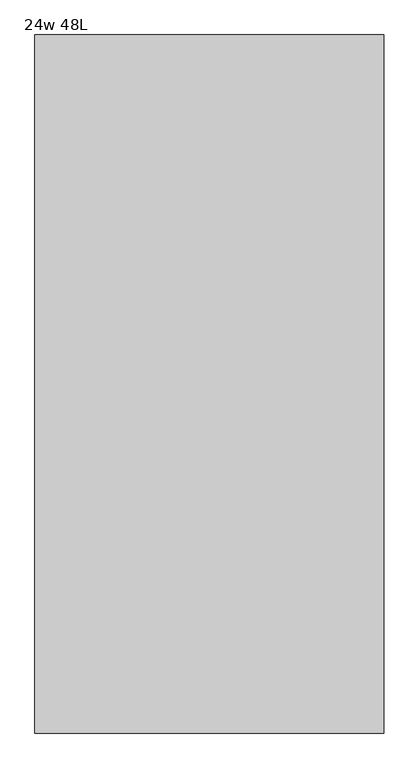
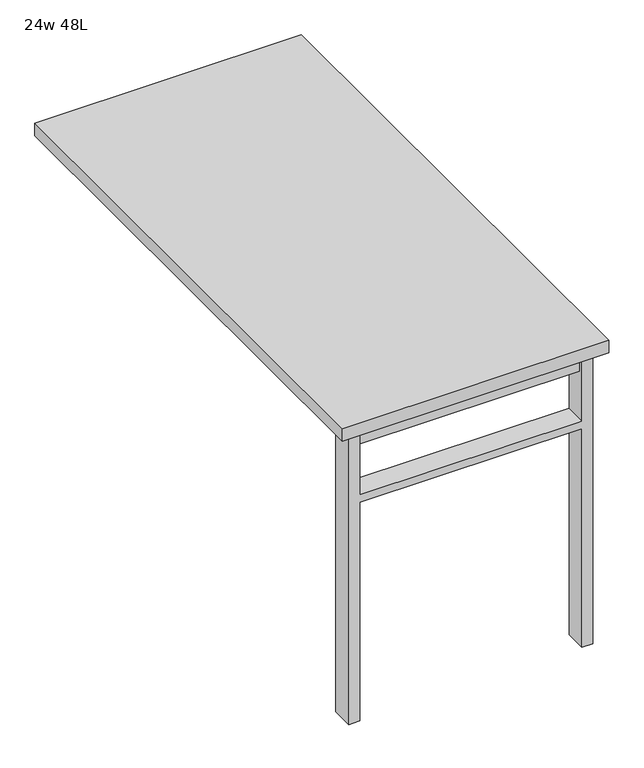
"""IFC4 building model written with IfcOpenShell, lengths in millimetres: furniture geometry, 24w 48L."""

from ifc_helpers import new_model, si_unit, frame, origin, place, context, project, spatial, polyline, outline, extrude, source, transform, mapped, element, save


def furniture_24w_48l_44644dc3(model_context):
    return source(origin(), model_context, "Body", "SweptSolid", [
        extrude(outline(polyline([(-254.0, -549.275), (254.0, -549.275), (254.0, -581.025), (-254.0, -581.025), (-254.0, -549.275)])), frame((0.0, 0.0, 661.9875), z_axis=(0.0, 0.0, 1.0), x_axis=(1.0, 0.0, 0.0)), (0.0, 0.0, 1.0), 44.45),
        extrude(outline(polyline([(528.6375, 254.0), (0.0, 254.0), (0.0, 279.4), (706.4375, 279.4), (706.4375, 254.0), (547.6875, 254.0), (547.6875, -254.0), (706.4375, -254.0), (706.4375, -279.4), (0.0, -279.4), (0.0, -254.0), (528.6375, -254.0), (528.6375, 254.0)])), frame((0.0, -590.55, 0.0), z_axis=(0.0, 1.0, 0.0), x_axis=(0.0, 0.0, 1.0)), (0.0, 0.0, 1.0), 50.8),
        extrude(outline(polyline([(-304.8, -609.6), (-304.8, 609.6), (304.8, 609.6), (304.8, -609.6), (-304.8, -609.6)])), frame((0.0, 0.0, 706.4375), z_axis=(0.0, 0.0, 1.0), x_axis=(1.0, 0.0, 0.0)), (0.0, 0.0, 1.0), 30.1625),
    ])


if __name__ == "__main__":
    model = new_model("IFC4")
    model_context = context("Model", 3, world=origin())
    ifc_project = project(units=[si_unit("LENGTHUNIT", "METRE", prefix="MILLI")], contexts=[model_context])
    site = spatial("IfcSite", under=ifc_project)
    building = spatial("IfcBuilding", under=site)
    placement = place(None, origin())
    furniture_24w_48l_shape = furniture_24w_48l_44644dc3(model_context)
    element("IfcFurniture", 1, ObjectType="24w 48L", at=placement, inside=building, context=model_context, shape_type="MappedRepresentation", body=[
        mapped(furniture_24w_48l_shape, transform((0.0, 0.0, 0.0), x_axis=(1.0, 0.0, 0.0), y_axis=(0.0, 1.0, 0.0), z_axis=(0.0, 0.0, 1.0))),
    ])
    save(model, "model.ifc")
